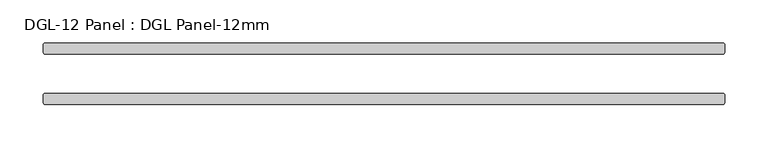
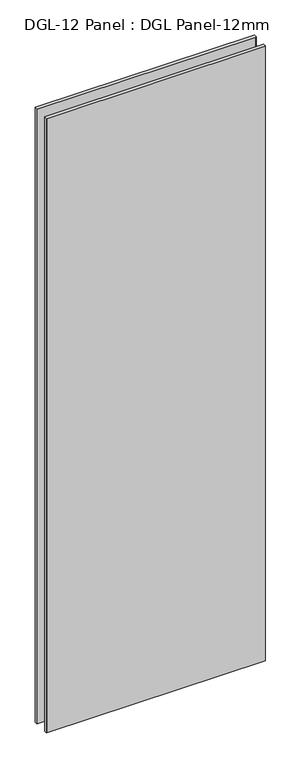
"""IFC4 building model written with IfcOpenShell, lengths in millimetres: plate geometry, DGL-12 Panel : DGL Panel-12mm."""

import ifcopenshell
import ifcopenshell.guid

model = None  # the IFC model being written
_history = None  # IfcOwnerHistory: only IFC2X3 demands one
_inside = {}  # id of a spatial element -> (the spatial element, [elements in it])
_under = {}  # id of a project, library or spatial element -> (it, [spatial elements below it])
_declared = {}  # id of a project -> (the project, [libraries it declares])
_typed = {}  # id of a type object -> (the type object, [elements of that type])
_made_of = {}  # id of a material, layer set ... -> (it, [elements and type objects made of it])


def new_model(schema):
    """Start an empty IFC model of exactly this schema.

    Asked for "IFC4X3", IfcOpenShell would pick the latest addendum, in which some entities
    have other attributes; the version numbers below select the first issue.
    IFC2X3 requires an IfcOwnerHistory on every rooted entity: one is made here for all.
    """
    global model, _history
    if schema == "IFC4X3":
        model = ifcopenshell.file(schema_version=(4, 3, 0, 0))
    else:
        model = ifcopenshell.file(schema=schema)
    _inside.clear()
    _under.clear()
    _declared.clear()
    _typed.clear()
    _made_of.clear()
    _history = None
    if model.schema == "IFC2X3":
        org = make("IfcOrganization", Name="unknown")
        user = make(
            "IfcPersonAndOrganization",
            ThePerson=make("IfcPerson", FamilyName="unknown"),
            TheOrganization=org,
        )
        app = make(
            "IfcApplication",
            ApplicationDeveloper=org,
            Version="unknown",
            ApplicationFullName="unknown",
            ApplicationIdentifier="unknown",
        )
        _history = make(
            "IfcOwnerHistory",
            OwningUser=user,
            OwningApplication=app,
            ChangeAction="ADDED",
            CreationDate=0,
        )
    return model


def make(cls, **values):
    """One entity of the class cls with the attributes given. An attribute that is None is left unset."""
    return model.create_entity(
        cls, **{name: value for name, value in values.items() if value is not None}
    )


def rooted(cls, **values):
    """An entity with a GlobalId (a new one), such as an element, a storey or a relation."""
    return make(cls, GlobalId=ifcopenshell.guid.new(), OwnerHistory=_history, **values)


def si_unit(unit_type, name, prefix=None):
    """IfcSIUnit, for example si_unit("LENGTHUNIT", "METRE", prefix="MILLI")."""
    return make("IfcSIUnit", UnitType=unit_type, Prefix=prefix, Name=name)


def assignment(units):
    """IfcUnitAssignment: the units of a project."""
    return None if units is None else make("IfcUnitAssignment", Units=units)


def point(xyz):
    """IfcCartesianPoint."""
    return None if xyz is None else make("IfcCartesianPoint", Coordinates=xyz)


def direction(xyz):
    """IfcDirection."""
    return None if xyz is None else make("IfcDirection", DirectionRatios=xyz)


def frame(location, z_axis=None, x_axis=None):
    """IfcAxis2Placement3D, a coordinate frame: its origin and axes. An axis left out is left unset."""
    return make(
        "IfcAxis2Placement3D",
        Location=point(location),
        Axis=direction(z_axis),
        RefDirection=direction(x_axis),
    )


def origin():
    """The frame at (0, 0, 0) with its axes left unset."""
    return frame((0.0, 0.0, 0.0))


def origin_with_axes():
    """The frame at (0, 0, 0) with the z axis (0, 0, 1) and the x axis (1, 0, 0) written out."""
    return frame((0.0, 0.0, 0.0), z_axis=(0.0, 0.0, 1.0), x_axis=(1.0, 0.0, 0.0))


def place(relative_to, where):
    """IfcLocalPlacement: puts the frame where relative to a parent placement (None: the world)."""
    return make(
        "IfcLocalPlacement", PlacementRelTo=relative_to, RelativePlacement=where
    )


def context(
    kind, dimensions, precision=None, world=None, true_north=None, identifier=None
):
    """IfcGeometricRepresentationContext, for example the 3D "Model" context."""
    return make(
        "IfcGeometricRepresentationContext",
        ContextIdentifier=identifier,
        ContextType=kind,
        CoordinateSpaceDimension=dimensions,
        Precision=precision,
        WorldCoordinateSystem=world,
        TrueNorth=true_north,
    )


def project(units=None, contexts=None):
    """IfcProject with its units and contexts."""
    return rooted(
        "IfcProject",
        Name="project",
        RepresentationContexts=contexts,
        UnitsInContext=assignment(units),
    )


def spatial(cls, under=None, at=None, **own):
    """A site, building, storey or space (cls), placed at a placement, below another one or the project."""
    s = rooted(cls, ObjectPlacement=at, **own)
    if under is not None:
        _under.setdefault(under.id(), (under, []))[1].append(s)
    return s


def polyline(points):
    """IfcPolyline through the points."""
    return make("IfcPolyline", Points=[point(p) for p in points])


def outline(outer, holes=None, kind="AREA"):
    """IfcArbitraryClosedProfileDef: a profile drawn as a closed curve; with holes, ...WithVoids."""
    if holes is None:
        return make("IfcArbitraryClosedProfileDef", ProfileType=kind, OuterCurve=outer)
    return make(
        "IfcArbitraryProfileDefWithVoids",
        ProfileType=kind,
        OuterCurve=outer,
        InnerCurves=holes,
    )


def extrude(swept, where, along, depth):
    """IfcExtrudedAreaSolid: the profile swept, set in the frame where, extruded along a direction by depth."""
    return make(
        "IfcExtrudedAreaSolid",
        SweptArea=swept,
        Position=where,
        ExtrudedDirection=direction(along),
        Depth=depth,
    )


def shape(context_of_items, identifier, shape_type, items):
    """IfcShapeRepresentation: the items that make up one representation, for example the "Body"."""
    return make(
        "IfcShapeRepresentation",
        ContextOfItems=context_of_items,
        RepresentationIdentifier=identifier,
        RepresentationType=shape_type,
        Items=items,
    )


def source(mapping_origin, context_of_items, identifier, shape_type, items):
    """IfcRepresentationMap: a shape defined once, which mapped items show again and again."""
    return make(
        "IfcRepresentationMap",
        MappingOrigin=mapping_origin,
        MappedRepresentation=shape(context_of_items, identifier, shape_type, items),
    )


def transform(
    local_origin,
    x_axis=None,
    y_axis=None,
    z_axis=None,
    scale=None,
    scale2=None,
    scale3=None,
    uniform=True,
):
    """IfcCartesianTransformationOperator3D, or its non-uniform kind. x_axis, y_axis, z_axis: its Axis1, 2, 3."""
    if uniform:
        return make(
            "IfcCartesianTransformationOperator3D",
            Axis1=direction(x_axis),
            Axis2=direction(y_axis),
            LocalOrigin=point(local_origin),
            Scale=scale,
            Axis3=direction(z_axis),
        )
    return make(
        "IfcCartesianTransformationOperator3DnonUniform",
        Axis1=direction(x_axis),
        Axis2=direction(y_axis),
        LocalOrigin=point(local_origin),
        Scale=scale,
        Axis3=direction(z_axis),
        Scale2=scale2,
        Scale3=scale3,
    )


def mapped(mapping_source, mapping_target):
    """IfcMappedItem: shows the shape of a source again, moved by a transform."""
    return make(
        "IfcMappedItem", MappingSource=mapping_source, MappingTarget=mapping_target
    )


def made_of(thing, what):
    """Note that an element or type object is made of a material, layer set ...; save() writes the relation."""
    if what is not None:
        _made_of.setdefault(what.id(), (what, []))[1].append(thing)
    return thing


def element(
    cls,
    number,
    at=None,
    inside=None,
    cuts=None,
    type_object=None,
    material=None,
    context=None,
    identifier="Body",
    shape_type=None,
    held_by="IfcProductDefinitionShape",
    body=None,
    shapes=None,
    **own,
):
    """One element of the class cls, such as IfcWall. Its Tag is "e" and its number.

    at: its placement. inside: the storey or other place that contains it. cuts: it is an
    opening in that element (IfcRelVoidsElement). A single representation is given by context,
    identifier, shape_type and body (its items); several are given by shapes. held_by: the class
    of the entity that holds the representations. save() writes the other relations.
    """
    e = rooted(cls, Tag="e%d" % number, ObjectPlacement=at, **own)
    if body is not None:
        shapes = [shape(context, identifier, shape_type, body)]
    if shapes is not None:
        e.Representation = make(held_by, Representations=shapes)
    if inside is not None:
        _inside.setdefault(inside.id(), (inside, []))[1].append(e)
    if cuts is not None:
        rooted(
            "IfcRelVoidsElement", RelatingBuildingElement=cuts, RelatedOpeningElement=e
        )
    if type_object is not None:
        _typed.setdefault(type_object.id(), (type_object, []))[1].append(e)
    return made_of(e, material)


def aggregate(whole, parts):
    """IfcRelAggregates: a whole, such as a stair, and the parts it consists of."""
    return rooted("IfcRelAggregates", RelatingObject=whole, RelatedObjects=parts)


def save(model, path):
    """Write the relations noted so far, then the file.

    IfcRelAggregates (storeys below a building ...), IfcRelContainedInSpatialStructure (elements
    in a storey), IfcRelDefinesByType, IfcRelAssociatesMaterial and IfcRelDeclares: one each for
    every whole, place, type object, material and project.
    """
    for whole, parts in _under.values():
        aggregate(whole, parts)
    for where, things in _inside.values():
        rooted(
            "IfcRelContainedInSpatialStructure",
            RelatedElements=things,
            RelatingStructure=where,
        )
    for kind, things in _typed.values():
        rooted("IfcRelDefinesByType", RelatedObjects=things, RelatingType=kind)
    for what, things in _made_of.values():
        rooted("IfcRelAssociatesMaterial", RelatedObjects=things, RelatingMaterial=what)
    for by, libraries in _declared.values():
        rooted("IfcRelDeclares", RelatingContext=by, RelatedDefinitions=libraries)
    model.write(path)


def dgl_12_panel_dgl_panel_12mm_5eeab7d8(model_context):
    return source(origin(), model_context, "Body", "SweptSolid", [
        extrude(outline(polyline([(393.6180067, -22.9195313), (395.2055067, -24.5070313), (395.2055067, -34.0320313), (393.6180067, -35.6195313), (-393.6180067, -35.6195313), (-395.2055067, -34.0320313), (-395.2055067, -24.5070313), (-393.6180067, -22.9195313), (393.6180067, -22.9195313)])), origin_with_axes(), (0.0, 0.0, 1.0), 2339.4622278),
        extrude(outline(polyline([(393.6180067, 35.6195312), (395.2055067, 34.0320312), (395.2055067, 24.5070312), (393.6180067, 22.9195312), (-393.6180067, 22.9195312), (-395.2055067, 24.5070312), (-395.2055067, 34.0320312), (-393.6180067, 35.6195312), (393.6180067, 35.6195312)])), origin_with_axes(), (0.0, 0.0, 1.0), 2339.4622278),
    ])


if __name__ == "__main__":
    model = new_model("IFC4")
    model_context = context("Model", 3, world=origin())
    ifc_project = project(units=[si_unit("LENGTHUNIT", "METRE", prefix="MILLI")], contexts=[model_context])
    site = spatial("IfcSite", under=ifc_project)
    building = spatial("IfcBuilding", under=site)
    placement = place(None, origin())
    dgl_12_panel_dgl_panel_12mm_shape = dgl_12_panel_dgl_panel_12mm_5eeab7d8(model_context)
    element("IfcPlate", 1, ObjectType="DGL-12 Panel : DGL Panel-12mm", at=placement, inside=building, context=model_context, shape_type="MappedRepresentation", body=[
        mapped(dgl_12_panel_dgl_panel_12mm_shape, transform((0.0, 0.0, 0.0), x_axis=(1.0, 0.0, 0.0), y_axis=(0.0, 1.0, 0.0), z_axis=(0.0, 0.0, 1.0))),
    ])
    save(model, "model.ifc")
